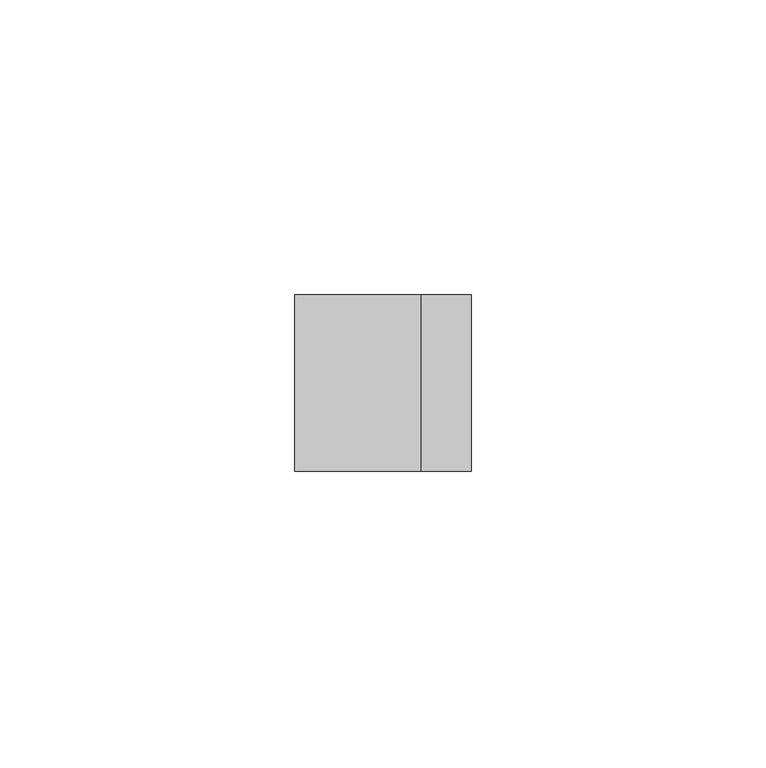
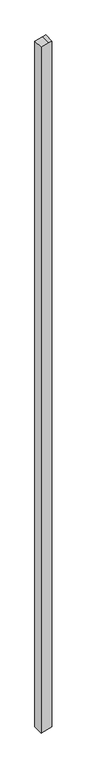
"""IFC4 building model written with IfcOpenShell, lengths in millimetres: member geometry."""

from ifc_helpers import new_model, si_unit, frame, origin, place, context, project, spatial, polyline, outline, extrude, source, transform, mapped, element, save


def member_bba29035(model_context):
    return source(origin(), model_context, "Body", "SweptSolid", [
        extrude(outline(polyline([(3.1373334, 15.0), (0.8518543, 6.4704761), (-4.9011424, -15.0), (-2023.6896942, -15.0), (-2021.4042152, -6.4704761), (-2015.6512184, 15.0), (3.1373334, 15.0)])), frame((0.0, -15.0, 0.0), z_axis=(0.0, 1.0, 0.0), x_axis=(0.0, 0.0, 1.0)), (0.0, 0.0, 1.0), 30.0),
    ])


if __name__ == "__main__":
    model = new_model("IFC4")
    model_context = context("Model", 3, world=origin())
    ifc_project = project(units=[si_unit("LENGTHUNIT", "METRE", prefix="MILLI")], contexts=[model_context])
    site = spatial("IfcSite", under=ifc_project)
    building = spatial("IfcBuilding", under=site)
    placement = place(None, origin())
    member_shape = member_bba29035(model_context)
    element("IfcMember", 1, at=placement, inside=building, context=model_context, shape_type="MappedRepresentation", body=[
        mapped(member_shape, transform((0.0, 0.0, 0.0), x_axis=(1.0, 0.0, 0.0), y_axis=(0.0, 1.0, 0.0), z_axis=(0.0, 0.0, 1.0))),
    ])
    save(model, "model.ifc")
